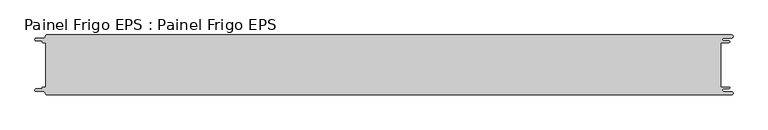
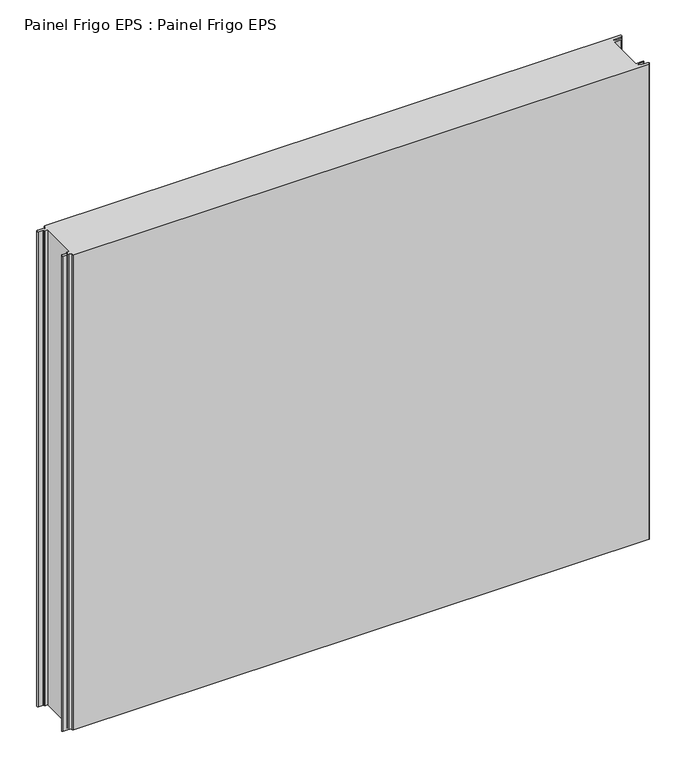
"""IFC4 building model written with IfcOpenShell, lengths in millimetres: proxy geometry, Painel Frigo EPS : Painel Frigo EPS."""

from ifc_helpers import new_model, si_unit, frame, origin, place, context, project, spatial, polyline, circle_curve, source, transform, mapped, element, save
from ifc_brep_helpers import plane_surface, cylinder_surface, revolved_surface, advanced_brep


def painel_frigo_eps_painel_frigo_eps_e9eadc6d(model_context):
    return source(origin(), model_context, "Body", "AdvancedBrep", [
        advanced_brep(
        [(-579.5093748, -37.3, 1000.0), (-580.1093748, -37.9, 1000.0), (-580.1093748, -38.7085184, 1000.0), (-581.5093751, -40.1085187, 1000.0), (-590.4875, -40.1085187, 1000.0), (-590.4875, -44.5085185, 1000.0), (-578.471875, -44.5085185, 1000.0), (-574.921875, -48.0585185, 1000.0), (-572.971875, -50.0, 1000.0), (572.284375, -50.0, 1000.0), (572.284375, -44.725, 1000.0), (559.378125, -44.725, 1000.0), (559.378125, -39.875, 1000.0), (568.0406253, -39.875, 1000.0), (568.0406253, -37.3, 1000.0), (554.1906253, -37.3, 1000.0), (554.1906253, 37.3, 1000.0), (568.0406253, 37.3, 1000.0), (568.0406253, 39.875, 1000.0), (559.378125, 39.875, 1000.0), (559.378125, 44.725, 1000.0), (572.284375, 44.725, 1000.0), (572.284375, 50.0, 1000.0), (-572.971875, 50.0, 1000.0), (-574.921875, 48.05, 1000.0), (-578.471875, 44.5085185, 1000.0), (-590.4875, 44.5085185, 1000.0), (-590.4875, 40.1085185, 1000.0), (-581.5093753, 40.1085185, 1000.0), (-580.1093753, 38.7085185, 1000.0), (-580.1093753, 37.9, 1000.0), (-579.5093748, 37.2999995, 1000.0), (-574.2218362, 37.2999995, 1000.0), (-574.2218362, -37.3, 1000.0), (-579.5093748, -37.3, 0.0), (-574.2218362, -37.3, 0.0), (-574.2218362, 37.2999995, 0.0), (-579.5093748, 37.2999995, 0.0), (-580.1093753, 37.9, 0.0), (-580.1093753, 38.7085185, 0.0), (-581.5093753, 40.1085185, 0.0), (-590.4875, 40.1085185, 0.0), (-590.4875, 44.5085185, 0.0), (-578.471875, 44.5085185, 0.0), (-574.921875, 48.0585185, 0.0), (-572.971875, 50.0, 0.0), (572.284375, 50.0, 0.0), (572.284375, 44.725, 0.0), (559.378125, 44.725, 0.0), (559.378125, 39.875, 0.0), (568.0406253, 39.875, 0.0), (568.0406253, 37.3, 0.0), (554.1906253, 37.3, 0.0), (554.1906253, -37.3, 0.0), (568.0406253, -37.3, 0.0), (568.0406253, -39.875, 0.0), (559.378125, -39.875, 0.0), (559.378125, -44.725, 0.0), (572.284375, -44.725, 0.0), (572.284375, -50.0, 0.0), (-572.971875, -50.0, 0.0), (-574.921875, -48.05, 0.0), (-578.471875, -44.5085185, 0.0), (-590.4875, -44.5085185, 0.0), (-590.4875, -40.1085187, 0.0), (-581.5093751, -40.1085187, 0.0), (-580.1093748, -38.7085184, 0.0), (-580.1093748, -37.9, 0.0)],
        [
            (0, 1, circle_curve(frame((-579.5093748, -37.9, 1000.0), z_axis=(0.0, 0.0, 1.0), x_axis=(1.0, 0.0, 0.0)), 0.6)),
            (1, 2),
            (2, 3, circle_curve(frame((-581.5093751, -38.7085184, 1000.0), z_axis=(0.0, 0.0, -1.0), x_axis=(1.0, 0.0, 0.0)), 1.4000003)),
            (3, 4),
            (4, 5, circle_curve(frame((-590.4875, -42.3085186, 1000.0), z_axis=(0.0, 0.0, 1.0), x_axis=(1.0, 0.0, 0.0)), 2.1999999)),
            (5, 6),
            (6, 7, circle_curve(frame((-578.471875, -48.0585185, 1000.0), z_axis=(0.0, 0.0, -1.0), x_axis=(1.0, 0.0, 0.0)), 3.55)),
            (7, 8, circle_curve(frame((-572.971875, -48.05, 1000.0), z_axis=(0.0, 0.0, 1.0), x_axis=(1.0, 0.0, 0.0)), 1.95)),
            (8, 9),
            (9, 10, circle_curve(frame((572.284375, -47.3625, 1000.0), z_axis=(0.0, 0.0, 1.0), x_axis=(1.0, 0.0, 0.0)), 2.6375)),
            (10, 11),
            (11, 12, circle_curve(frame((559.378125, -42.3, 1000.0), z_axis=(0.0, 0.0, -1.0), x_axis=(1.0, 0.0, 0.0)), 2.425)),
            (12, 13),
            (13, 14, circle_curve(frame((568.0406253, -38.5875, 1000.0), z_axis=(0.0, 0.0, 1.0), x_axis=(1.0, 0.0, 0.0)), 1.2875)),
            (14, 15),
            (15, 16),
            (16, 17),
            (17, 18, circle_curve(frame((568.0406253, 38.5875, 1000.0), z_axis=(0.0, 0.0, 1.0), x_axis=(1.0, 0.0, 0.0)), 1.2875)),
            (18, 19),
            (19, 20, circle_curve(frame((559.378125, 42.3, 1000.0), z_axis=(0.0, 0.0, -1.0), x_axis=(1.0, 0.0, 0.0)), 2.425)),
            (20, 21),
            (21, 22, circle_curve(frame((572.284375, 47.3625, 1000.0), z_axis=(0.0, 0.0, 1.0), x_axis=(1.0, 0.0, 0.0)), 2.6375)),
            (22, 23),
            (23, 24, circle_curve(frame((-572.971875, 48.05, 1000.0), z_axis=(0.0, 0.0, 1.0), x_axis=(1.0, 0.0, 0.0)), 1.95)),
            (24, 25, circle_curve(frame((-578.471875, 48.0585185, 1000.0), z_axis=(0.0, 0.0, -1.0), x_axis=(1.0, 0.0, 0.0)), 3.55)),
            (25, 26),
            (26, 27, circle_curve(frame((-590.4875, 42.3085185, 1000.0), z_axis=(0.0, 0.0, 1.0), x_axis=(1.0, 0.0, 0.0)), 2.2)),
            (27, 28),
            (28, 29, circle_curve(frame((-581.5093753, 38.7085185, 1000.0), z_axis=(0.0, 0.0, -1.0), x_axis=(1.0, 0.0, 0.0)), 1.4)),
            (29, 30),
            (30, 31, circle_curve(frame((-579.5093748, 37.9, 1000.0), z_axis=(0.0, 0.0, 1.0), x_axis=(1.0, 0.0, 0.0)), 0.6000005)),
            (31, 32),
            (32, 33),
            (33, 0),
            (34, 35),
            (35, 36),
            (36, 37),
            (37, 38, circle_curve(frame((-579.5093748, 37.9, 0.0), z_axis=(0.0, 0.0, -1.0), x_axis=(1.0, 0.0, 0.0)), 0.6000005)),
            (38, 39),
            (39, 40, circle_curve(frame((-581.5093753, 38.7085185, 0.0), z_axis=(0.0, 0.0, 1.0), x_axis=(1.0, 0.0, 0.0)), 1.4)),
            (40, 41),
            (41, 42, circle_curve(frame((-590.4875, 42.3085185, 0.0), z_axis=(0.0, 0.0, -1.0), x_axis=(1.0, 0.0, 0.0)), 2.2)),
            (42, 43),
            (43, 44, circle_curve(frame((-578.471875, 48.0585185, 0.0), z_axis=(0.0, 0.0, 1.0), x_axis=(1.0, 0.0, 0.0)), 3.55)),
            (44, 45, circle_curve(frame((-572.971875, 48.05, 0.0), z_axis=(0.0, 0.0, -1.0), x_axis=(1.0, 0.0, 0.0)), 1.95)),
            (45, 46),
            (46, 47, circle_curve(frame((572.284375, 47.3625, 0.0), z_axis=(0.0, 0.0, -1.0), x_axis=(1.0, 0.0, 0.0)), 2.6375)),
            (47, 48),
            (48, 49, circle_curve(frame((559.378125, 42.3, 0.0), z_axis=(0.0, 0.0, 1.0), x_axis=(1.0, 0.0, 0.0)), 2.425)),
            (49, 50),
            (50, 51, circle_curve(frame((568.0406253, 38.5875, 0.0), z_axis=(0.0, 0.0, -1.0), x_axis=(1.0, 0.0, 0.0)), 1.2875)),
            (51, 52),
            (52, 53),
            (53, 54),
            (54, 55, circle_curve(frame((568.0406253, -38.5875, 0.0), z_axis=(0.0, 0.0, -1.0), x_axis=(1.0, 0.0, 0.0)), 1.2875)),
            (55, 56),
            (56, 57, circle_curve(frame((559.378125, -42.3, 0.0), z_axis=(0.0, 0.0, 1.0), x_axis=(1.0, 0.0, 0.0)), 2.425)),
            (57, 58),
            (58, 59, circle_curve(frame((572.284375, -47.3625, 0.0), z_axis=(0.0, 0.0, -1.0), x_axis=(1.0, 0.0, 0.0)), 2.6375)),
            (59, 60),
            (60, 61, circle_curve(frame((-572.971875, -48.05, 0.0), z_axis=(0.0, 0.0, -1.0), x_axis=(1.0, 0.0, 0.0)), 1.95)),
            (61, 62, circle_curve(frame((-578.471875, -48.0585185, 0.0), z_axis=(0.0, 0.0, 1.0), x_axis=(1.0, 0.0, 0.0)), 3.55)),
            (62, 63),
            (63, 64, circle_curve(frame((-590.4875, -42.3085186, 0.0), z_axis=(0.0, 0.0, -1.0), x_axis=(1.0, 0.0, 0.0)), 2.1999999)),
            (64, 65),
            (65, 66, circle_curve(frame((-581.5093751, -38.7085184, 0.0), z_axis=(0.0, 0.0, 1.0), x_axis=(1.0, 0.0, 0.0)), 1.4000003)),
            (66, 67),
            (67, 34, circle_curve(frame((-579.5093748, -37.9, 0.0), z_axis=(0.0, 0.0, -1.0), x_axis=(1.0, 0.0, 0.0)), 0.6)),
            (22, 46),
            (45, 23),
            (8, 60),
            (59, 9),
            (33, 35),
            (34, 0),
            (32, 36),
            (31, 37),
            (30, 38),
            (29, 39),
            (28, 40),
            (27, 41),
            (26, 42),
            (25, 43),
            (24, 44),
            (15, 53),
            (52, 16),
            (14, 54),
            (13, 55),
            (12, 56),
            (11, 57),
            (10, 58),
            (7, 61),
            (6, 62),
            (5, 63),
            (4, 64),
            (3, 65),
            (2, 66),
            (1, 67),
            (21, 47),
            (20, 48),
            (19, 49),
            (18, 50),
            (17, 51),
        ],
        [
            plane_surface(frame((-574.2218362, -37.3, 1000.0), z_axis=(0.0, 0.0, 1.0), x_axis=(1.0, 0.0, 0.0))),
            plane_surface(frame((-574.2218362, -37.3, 0.0), z_axis=(0.0, 0.0, -1.0), x_axis=(-1.0, 0.0, 0.0))),
            plane_surface(frame((-572.971875, 50.0, 1000.0), z_axis=(0.0, 1.0, 0.0), x_axis=(0.0, 0.0, -1.0))),
            plane_surface(frame((572.284375, -50.0, 1000.0), z_axis=(0.0, -1.0, 0.0), x_axis=(0.0, 0.0, -1.0))),
            plane_surface(frame((-579.5093748, -37.3, 1000.0), z_axis=(0.0, 1.0, 0.0), x_axis=(0.0, 0.0, -1.0))),
            plane_surface(frame((-574.2218362, -37.3, 1000.0), z_axis=(-1.0, 0.0, 0.0), x_axis=(0.0, 0.0, -1.0))),
            plane_surface(frame((-574.2218362, 37.2999995, 1000.0), z_axis=(0.0, -1.0, 0.0), x_axis=(0.0, 0.0, -1.0))),
            cylinder_surface(frame((-579.5093748, 37.9, 0.0), z_axis=(0.0, 0.0, 1.0), x_axis=(1.0, 0.0, 0.0)), 0.6000005),
            plane_surface(frame((-580.1093753, 37.9, 1000.0), z_axis=(-1.0, -1.7578608662328141e-12, 0.0), x_axis=(0.0, 0.0, -1.0))),
            revolved_surface(polyline([(-580.1093753, 38.7085185, 0.0), (-580.1093753, 38.7085185, 1000.0)]), (-581.5093753, 38.7085185, 0.0), (0.0, 0.0, -1.0)),
            plane_surface(frame((-581.5093753, 40.1085185, 1000.0), z_axis=(0.0, -1.0, 0.0), x_axis=(0.0, 0.0, -1.0))),
            cylinder_surface(frame((-590.4875, 42.3085185, 0.0), z_axis=(0.0, 0.0, 1.0), x_axis=(1.0, 0.0, 0.0)), 2.2),
            plane_surface(frame((-590.4875, 44.5085185, 1000.0), z_axis=(0.0, 1.0, 0.0), x_axis=(0.0, 0.0, -1.0))),
            revolved_surface(polyline([(-574.921875, 48.0585185, 0.0), (-574.921875, 48.0585185, 1000.0)]), (-578.471875, 48.0585185, 0.0), (0.0, 0.0, -1.0)),
            cylinder_surface(frame((-572.971875, 48.05, 0.0), z_axis=(0.0, 0.0, 1.0), x_axis=(1.0, 0.0, 0.0)), 1.95),
            plane_surface(frame((554.1906253, 37.3, 1000.0), z_axis=(1.0, 0.0, 0.0), x_axis=(0.0, 0.0, -1.0))),
            plane_surface(frame((554.1906253, -37.3, 1000.0), z_axis=(0.0, 1.0, 0.0), x_axis=(0.0, 0.0, -1.0))),
            cylinder_surface(frame((568.0406253, -38.5875, 0.0), z_axis=(0.0, 0.0, 1.0), x_axis=(1.0, 0.0, 0.0)), 1.2875),
            plane_surface(frame((568.0406253, -39.875, 1000.0), z_axis=(0.0, -1.0, 0.0), x_axis=(0.0, 0.0, -1.0))),
            revolved_surface(polyline([(561.8031249999999, -42.3, 0.0), (561.8031249999999, -42.3, 1000.0)]), (559.378125, -42.3, 0.0), (0.0, 0.0, -1.0)),
            plane_surface(frame((559.378125, -44.725, 1000.0), z_axis=(0.0, 1.0, 0.0), x_axis=(0.0, 0.0, -1.0))),
            cylinder_surface(frame((572.284375, -47.3625, 0.0), z_axis=(0.0, 0.0, 1.0), x_axis=(1.0, 0.0, 0.0)), 2.6375),
            cylinder_surface(frame((-572.971875, -48.05, 0.0), z_axis=(0.0, 0.0, 1.0), x_axis=(1.0, 0.0, 0.0)), 1.95),
            revolved_surface(polyline([(-574.921875, -48.0585185, 0.0), (-574.921875, -48.0585185, 1000.0)]), (-578.471875, -48.0585185, 0.0), (0.0, 0.0, -1.0)),
            plane_surface(frame((-578.471875, -44.5085185, 1000.0), z_axis=(0.0, -1.0, 0.0), x_axis=(0.0, 0.0, -1.0))),
            cylinder_surface(frame((-590.4875, -42.3085186, 0.0), z_axis=(0.0, 0.0, 1.0), x_axis=(1.0, 0.0, 0.0)), 2.1999999),
            plane_surface(frame((-590.4875, -40.1085187, 1000.0), z_axis=(0.0, 1.0, 0.0), x_axis=(0.0, 0.0, -1.0))),
            revolved_surface(polyline([(-580.1093748000001, -38.7085184, 0.0), (-580.1093748000001, -38.7085184, 1000.0)]), (-581.5093751, -38.7085184, 0.0), (0.0, 0.0, -1.0)),
            plane_surface(frame((-580.1093748, -38.7085184, 1000.0), z_axis=(-1.0, 0.0, 0.0), x_axis=(0.0, 0.0, -1.0))),
            cylinder_surface(frame((-579.5093748, -37.9, 0.0), z_axis=(0.0, 0.0, 1.0), x_axis=(1.0, 0.0, 0.0)), 0.6),
            cylinder_surface(frame((572.284375, 47.3625, 0.0), z_axis=(0.0, 0.0, 1.0), x_axis=(1.0, 0.0, 0.0)), 2.6375),
            plane_surface(frame((572.284375, 44.725, 1000.0), z_axis=(0.0, -1.0, 0.0), x_axis=(0.0, 0.0, -1.0))),
            revolved_surface(polyline([(561.8031249999999, 42.3, 0.0), (561.8031249999999, 42.3, 1000.0)]), (559.378125, 42.3, 0.0), (0.0, 0.0, -1.0)),
            plane_surface(frame((559.378125, 39.875, 1000.0), z_axis=(0.0, 1.0, 0.0), x_axis=(0.0, 0.0, -1.0))),
            cylinder_surface(frame((568.0406253, 38.5875, 0.0), z_axis=(0.0, 0.0, 1.0), x_axis=(1.0, 0.0, 0.0)), 1.2875),
            plane_surface(frame((568.0406253, 37.3, 1000.0), z_axis=(0.0, -1.0, 0.0), x_axis=(0.0, 0.0, -1.0))),
        ],
        [
            (0, [[1, 2, 3, 4, 5, 6, 7, 8, 9, 10, 11, 12, 13, 14, 15, 16, 17, 18, 19, 20, 21, 22, 23, 24, 25, 26, 27, 28, 29, 30, 31, 32, 33, 34]]),
            (1, [[35, 36, 37, 38, 39, 40, 41, 42, 43, 44, 45, 46, 47, 48, 49, 50, 51, 52, 53, 54, 55, 56, 57, 58, 59, 60, 61, 62, 63, 64, 65, 66, 67, 68]]),
            (2, [[69, -46, 70, -23]]),
            (3, [[71, -60, 72, -9]]),
            (4, [[73, -35, 74, -34]]),
            (5, [[75, -36, -73, -33]]),
            (6, [[76, -37, -75, -32]]),
            (7, [[77, -38, -76, -31]]),
            (8, [[78, -39, -77, -30]]),
            (9, [[79, -40, -78, -29]]),
            (10, [[80, -41, -79, -28]]),
            (11, [[81, -42, -80, -27]]),
            (12, [[82, -43, -81, -26]]),
            (13, [[83, -44, -82, -25]]),
            (14, [[-70, -45, -83, -24]]),
            (15, [[84, -53, 85, -16]]),
            (16, [[86, -54, -84, -15]]),
            (17, [[87, -55, -86, -14]]),
            (18, [[88, -56, -87, -13]]),
            (19, [[89, -57, -88, -12]]),
            (20, [[90, -58, -89, -11]]),
            (21, [[-72, -59, -90, -10]]),
            (22, [[91, -61, -71, -8]]),
            (23, [[92, -62, -91, -7]]),
            (24, [[93, -63, -92, -6]]),
            (25, [[94, -64, -93, -5]]),
            (26, [[95, -65, -94, -4]]),
            (27, [[96, -66, -95, -3]]),
            (28, [[97, -67, -96, -2]]),
            (29, [[-74, -68, -97, -1]]),
            (30, [[98, -47, -69, -22]]),
            (31, [[99, -48, -98, -21]]),
            (32, [[100, -49, -99, -20]]),
            (33, [[101, -50, -100, -19]]),
            (34, [[102, -51, -101, -18]]),
            (35, [[-85, -52, -102, -17]]),
        ],
    ),
    ])


if __name__ == "__main__":
    model = new_model("IFC4")
    model_context = context("Model", 3, world=origin())
    ifc_project = project(units=[si_unit("LENGTHUNIT", "METRE", prefix="MILLI")], contexts=[model_context])
    site = spatial("IfcSite", under=ifc_project)
    building = spatial("IfcBuilding", under=site)
    placement = place(None, origin())
    painel_frigo_eps_painel_frigo_eps_shape = painel_frigo_eps_painel_frigo_eps_e9eadc6d(model_context)
    element("IfcBuildingElementProxy", 1, Name="Painel Frigo EPS : Painel Frigo EPS", ObjectType="Painel Frigo EPS : Painel Frigo EPS", at=placement, inside=building, context=model_context, shape_type="MappedRepresentation", body=[
        mapped(painel_frigo_eps_painel_frigo_eps_shape, transform((0.0, 0.0, 0.0), x_axis=(1.0, 0.0, 0.0), y_axis=(0.0, 1.0, 0.0), z_axis=(0.0, 0.0, 1.0))),
    ])
    save(model, "model.ifc")
